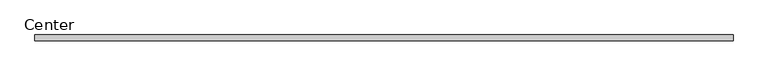
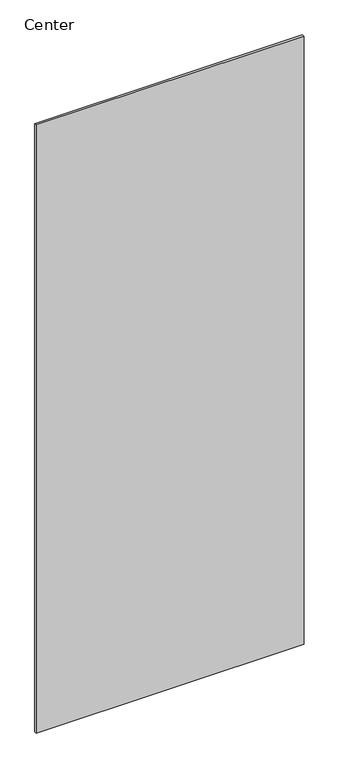
"""IFC4 building model written with IfcOpenShell, lengths in millimetres: plate geometry, Center."""

from ifc_helpers import new_model, si_unit, origin, origin_with_axes, place, context, project, spatial, polyline, outline, extrude, source, transform, mapped, element, save


def center_740c1acb(model_context):
    return source(origin(), model_context, "Body", "SweptSolid", [
        extrude(outline(polyline([(584.0749999, 4.7625), (584.0749999, -4.7625), (-553.9124999, -4.7625), (-553.9124999, 4.7625), (584.0749999, 4.7625)])), origin_with_axes(), (0.0, 0.0, 1.0), 2729.9999996),
    ])


if __name__ == "__main__":
    model = new_model("IFC4")
    model_context = context("Model", 3, world=origin())
    ifc_project = project(units=[si_unit("LENGTHUNIT", "METRE", prefix="MILLI")], contexts=[model_context])
    site = spatial("IfcSite", under=ifc_project)
    building = spatial("IfcBuilding", under=site)
    placement = place(None, origin())
    center_shape = center_740c1acb(model_context)
    element("IfcPlate", 1, ObjectType="Center", at=placement, inside=building, context=model_context, shape_type="MappedRepresentation", body=[
        mapped(center_shape, transform((0.0, 0.0, 0.0), x_axis=(1.0, 0.0, 0.0), y_axis=(0.0, 1.0, 0.0), z_axis=(0.0, 0.0, 1.0))),
    ])
    save(model, "model.ifc")
